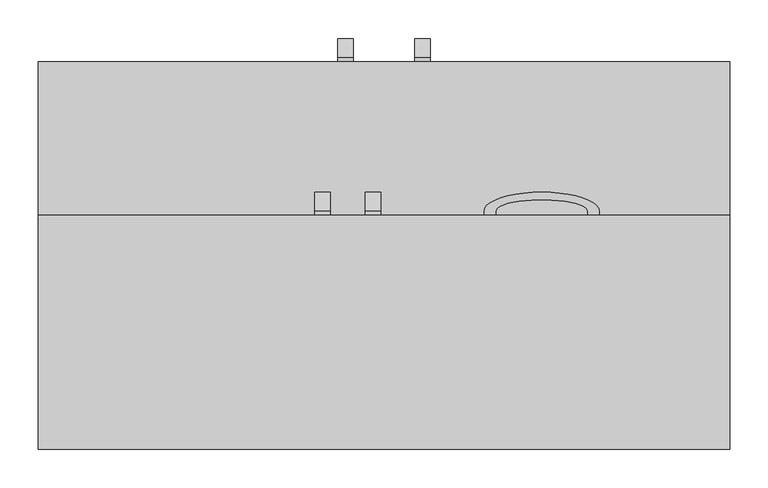
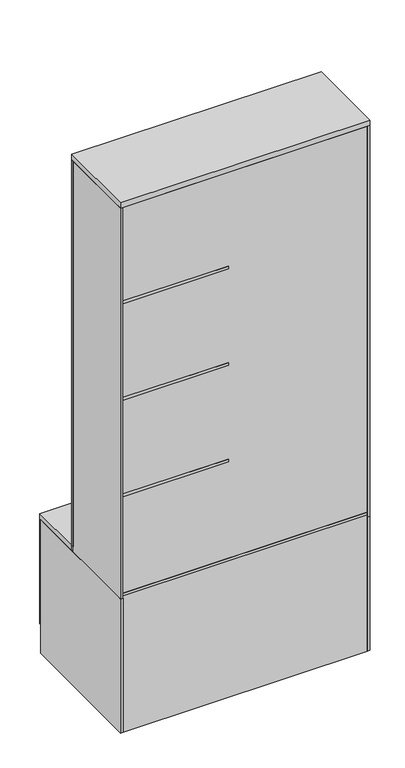
"""IFC4 building model written with IfcOpenShell, lengths in millimetres: furniture geometry."""

import ifcopenshell
import ifcopenshell.guid

model = None  # the IFC model being written
_history = None  # IfcOwnerHistory: only IFC2X3 demands one
_inside = {}  # id of a spatial element -> (the spatial element, [elements in it])
_under = {}  # id of a project, library or spatial element -> (it, [spatial elements below it])
_declared = {}  # id of a project -> (the project, [libraries it declares])
_typed = {}  # id of a type object -> (the type object, [elements of that type])
_made_of = {}  # id of a material, layer set ... -> (it, [elements and type objects made of it])


def new_model(schema):
    """Start an empty IFC model of exactly this schema.

    Asked for "IFC4X3", IfcOpenShell would pick the latest addendum, in which some entities
    have other attributes; the version numbers below select the first issue.
    IFC2X3 requires an IfcOwnerHistory on every rooted entity: one is made here for all.
    """
    global model, _history
    if schema == "IFC4X3":
        model = ifcopenshell.file(schema_version=(4, 3, 0, 0))
    else:
        model = ifcopenshell.file(schema=schema)
    _inside.clear()
    _under.clear()
    _declared.clear()
    _typed.clear()
    _made_of.clear()
    _history = None
    if model.schema == "IFC2X3":
        org = make("IfcOrganization", Name="unknown")
        user = make(
            "IfcPersonAndOrganization",
            ThePerson=make("IfcPerson", FamilyName="unknown"),
            TheOrganization=org,
        )
        app = make(
            "IfcApplication",
            ApplicationDeveloper=org,
            Version="unknown",
            ApplicationFullName="unknown",
            ApplicationIdentifier="unknown",
        )
        _history = make(
            "IfcOwnerHistory",
            OwningUser=user,
            OwningApplication=app,
            ChangeAction="ADDED",
            CreationDate=0,
        )
    return model


def make(cls, **values):
    """One entity of the class cls with the attributes given. An attribute that is None is left unset."""
    return model.create_entity(
        cls, **{name: value for name, value in values.items() if value is not None}
    )


def rooted(cls, **values):
    """An entity with a GlobalId (a new one), such as an element, a storey or a relation."""
    return make(cls, GlobalId=ifcopenshell.guid.new(), OwnerHistory=_history, **values)


def si_unit(unit_type, name, prefix=None):
    """IfcSIUnit, for example si_unit("LENGTHUNIT", "METRE", prefix="MILLI")."""
    return make("IfcSIUnit", UnitType=unit_type, Prefix=prefix, Name=name)


def assignment(units):
    """IfcUnitAssignment: the units of a project."""
    return None if units is None else make("IfcUnitAssignment", Units=units)


def point(xyz):
    """IfcCartesianPoint."""
    return None if xyz is None else make("IfcCartesianPoint", Coordinates=xyz)


def direction(xyz):
    """IfcDirection."""
    return None if xyz is None else make("IfcDirection", DirectionRatios=xyz)


def frame(location, z_axis=None, x_axis=None):
    """IfcAxis2Placement3D, a coordinate frame: its origin and axes. An axis left out is left unset."""
    return make(
        "IfcAxis2Placement3D",
        Location=point(location),
        Axis=direction(z_axis),
        RefDirection=direction(x_axis),
    )


def origin():
    """The frame at (0, 0, 0) with its axes left unset."""
    return frame((0.0, 0.0, 0.0))


def origin_with_axes():
    """The frame at (0, 0, 0) with the z axis (0, 0, 1) and the x axis (1, 0, 0) written out."""
    return frame((0.0, 0.0, 0.0), z_axis=(0.0, 0.0, 1.0), x_axis=(1.0, 0.0, 0.0))


def place(relative_to, where):
    """IfcLocalPlacement: puts the frame where relative to a parent placement (None: the world)."""
    return make(
        "IfcLocalPlacement", PlacementRelTo=relative_to, RelativePlacement=where
    )


def context(
    kind, dimensions, precision=None, world=None, true_north=None, identifier=None
):
    """IfcGeometricRepresentationContext, for example the 3D "Model" context."""
    return make(
        "IfcGeometricRepresentationContext",
        ContextIdentifier=identifier,
        ContextType=kind,
        CoordinateSpaceDimension=dimensions,
        Precision=precision,
        WorldCoordinateSystem=world,
        TrueNorth=true_north,
    )


def project(units=None, contexts=None):
    """IfcProject with its units and contexts."""
    return rooted(
        "IfcProject",
        Name="project",
        RepresentationContexts=contexts,
        UnitsInContext=assignment(units),
    )


def spatial(cls, under=None, at=None, **own):
    """A site, building, storey or space (cls), placed at a placement, below another one or the project."""
    s = rooted(cls, ObjectPlacement=at, **own)
    if under is not None:
        _under.setdefault(under.id(), (under, []))[1].append(s)
    return s


def polyline(points):
    """IfcPolyline through the points."""
    return make("IfcPolyline", Points=[point(p) for p in points])


def ellipse_curve(where, semi_axis1, semi_axis2):
    """IfcEllipse in the frame where."""
    return make(
        "IfcEllipse", Position=where, SemiAxis1=semi_axis1, SemiAxis2=semi_axis2
    )


def trimmed(basis, trim1, trim2, sense, master):
    """IfcTrimmedCurve: the piece of a basis curve between two trims."""
    return make(
        "IfcTrimmedCurve",
        BasisCurve=basis,
        Trim1=trim1,
        Trim2=trim2,
        SenseAgreement=sense,
        MasterRepresentation=master,
    )


def outline(outer, holes=None, kind="AREA"):
    """IfcArbitraryClosedProfileDef: a profile drawn as a closed curve; with holes, ...WithVoids."""
    if holes is None:
        return make("IfcArbitraryClosedProfileDef", ProfileType=kind, OuterCurve=outer)
    return make(
        "IfcArbitraryProfileDefWithVoids",
        ProfileType=kind,
        OuterCurve=outer,
        InnerCurves=holes,
    )


def extrude(swept, where, along, depth):
    """IfcExtrudedAreaSolid: the profile swept, set in the frame where, extruded along a direction by depth."""
    return make(
        "IfcExtrudedAreaSolid",
        SweptArea=swept,
        Position=where,
        ExtrudedDirection=direction(along),
        Depth=depth,
    )


def shape(context_of_items, identifier, shape_type, items):
    """IfcShapeRepresentation: the items that make up one representation, for example the "Body"."""
    return make(
        "IfcShapeRepresentation",
        ContextOfItems=context_of_items,
        RepresentationIdentifier=identifier,
        RepresentationType=shape_type,
        Items=items,
    )


def source(mapping_origin, context_of_items, identifier, shape_type, items):
    """IfcRepresentationMap: a shape defined once, which mapped items show again and again."""
    return make(
        "IfcRepresentationMap",
        MappingOrigin=mapping_origin,
        MappedRepresentation=shape(context_of_items, identifier, shape_type, items),
    )


def transform(
    local_origin,
    x_axis=None,
    y_axis=None,
    z_axis=None,
    scale=None,
    scale2=None,
    scale3=None,
    uniform=True,
):
    """IfcCartesianTransformationOperator3D, or its non-uniform kind. x_axis, y_axis, z_axis: its Axis1, 2, 3."""
    if uniform:
        return make(
            "IfcCartesianTransformationOperator3D",
            Axis1=direction(x_axis),
            Axis2=direction(y_axis),
            LocalOrigin=point(local_origin),
            Scale=scale,
            Axis3=direction(z_axis),
        )
    return make(
        "IfcCartesianTransformationOperator3DnonUniform",
        Axis1=direction(x_axis),
        Axis2=direction(y_axis),
        LocalOrigin=point(local_origin),
        Scale=scale,
        Axis3=direction(z_axis),
        Scale2=scale2,
        Scale3=scale3,
    )


def mapped(mapping_source, mapping_target):
    """IfcMappedItem: shows the shape of a source again, moved by a transform."""
    return make(
        "IfcMappedItem", MappingSource=mapping_source, MappingTarget=mapping_target
    )


def made_of(thing, what):
    """Note that an element or type object is made of a material, layer set ...; save() writes the relation."""
    if what is not None:
        _made_of.setdefault(what.id(), (what, []))[1].append(thing)
    return thing


def element(
    cls,
    number,
    at=None,
    inside=None,
    cuts=None,
    type_object=None,
    material=None,
    context=None,
    identifier="Body",
    shape_type=None,
    held_by="IfcProductDefinitionShape",
    body=None,
    shapes=None,
    **own,
):
    """One element of the class cls, such as IfcWall. Its Tag is "e" and its number.

    at: its placement. inside: the storey or other place that contains it. cuts: it is an
    opening in that element (IfcRelVoidsElement). A single representation is given by context,
    identifier, shape_type and body (its items); several are given by shapes. held_by: the class
    of the entity that holds the representations. save() writes the other relations.
    """
    e = rooted(cls, Tag="e%d" % number, ObjectPlacement=at, **own)
    if body is not None:
        shapes = [shape(context, identifier, shape_type, body)]
    if shapes is not None:
        e.Representation = make(held_by, Representations=shapes)
    if inside is not None:
        _inside.setdefault(inside.id(), (inside, []))[1].append(e)
    if cuts is not None:
        rooted(
            "IfcRelVoidsElement", RelatingBuildingElement=cuts, RelatedOpeningElement=e
        )
    if type_object is not None:
        _typed.setdefault(type_object.id(), (type_object, []))[1].append(e)
    return made_of(e, material)


def aggregate(whole, parts):
    """IfcRelAggregates: a whole, such as a stair, and the parts it consists of."""
    return rooted("IfcRelAggregates", RelatingObject=whole, RelatedObjects=parts)


def save(model, path):
    """Write the relations noted so far, then the file.

    IfcRelAggregates (storeys below a building ...), IfcRelContainedInSpatialStructure (elements
    in a storey), IfcRelDefinesByType, IfcRelAssociatesMaterial and IfcRelDeclares: one each for
    every whole, place, type object, material and project.
    """
    for whole, parts in _under.values():
        aggregate(whole, parts)
    for where, things in _inside.values():
        rooted(
            "IfcRelContainedInSpatialStructure",
            RelatedElements=things,
            RelatingStructure=where,
        )
    for kind, things in _typed.values():
        rooted("IfcRelDefinesByType", RelatedObjects=things, RelatingType=kind)
    for what, things in _made_of.values():
        rooted("IfcRelAssociatesMaterial", RelatedObjects=things, RelatingMaterial=what)
    for by, libraries in _declared.values():
        rooted("IfcRelDeclares", RelatingContext=by, RelatedDefinitions=libraries)
    model.write(path)


def plane_surface(at):
    """IfcPlane: the flat surface through the origin of the frame at, square to its z axis."""
    return make("IfcPlane", Position=at)


def extruded_surface(curve, direction_of_extrusion, depth):
    """IfcSurfaceOfLinearExtrusion: the curve pushed along a direction by depth."""
    return make(
        "IfcSurfaceOfLinearExtrusion",
        SweptCurve=make("IfcArbitraryOpenProfileDef", ProfileType="CURVE", Curve=curve),
        ExtrudedDirection=direction(direction_of_extrusion),
        Depth=depth,
    )


def advanced_brep(points, edges, surfaces, faces):
    """IfcAdvancedBrep: a solid bounded by faces that lie on surfaces and meet in shared edges.

    An edge is (start, end): straight between two places in points (the first is 0);
    or (start, end, curve); or (start, end, curve, False) where it runs against its curve.
    A face is (place in surfaces, loops), or (place, loops, False) where it looks against
    its surface's normal. A loop lists edges by number (the first is 1), with a minus sign
    where the edge is run from its end to its start. The first loop is the outer one.
    """
    corners = [point(p) for p in points]
    vertices = [make("IfcVertexPoint", VertexGeometry=c) for c in corners]
    made = []
    for start, end, *more in edges:
        made.append(
            make(
                "IfcEdgeCurve",
                EdgeStart=vertices[start],
                EdgeEnd=vertices[end],
                EdgeGeometry=more[0] if more else make("IfcPolyline", Points=[corners[start], corners[end]]),
                SameSense=more[1] if len(more) > 1 else True,
            )
        )
    hull = []
    for where, loops, *sense in faces:
        bounds = []
        for j, loop in enumerate(loops):
            ring = [make("IfcOrientedEdge", EdgeElement=made[abs(k) - 1], Orientation=k > 0) for k in loop]
            bounds.append(
                make(
                    "IfcFaceOuterBound" if j == 0 else "IfcFaceBound",
                    Bound=make("IfcEdgeLoop", EdgeList=ring),
                    Orientation=True,
                )
            )
        hull.append(make("IfcAdvancedFace", Bounds=bounds, FaceSurface=surfaces[where], SameSense=sense[0] if sense else True))
    return make("IfcAdvancedBrep", Outer=make("IfcClosedShell", CfsFaces=hull))


def furniture_a15a8655(model_context):
    return source(origin(), model_context, "Body", "SolidModel", [
        advanced_brep(
        [(-24.438675, 55.0, 1722.5), (-24.438675, 60.0, 1722.5), (-24.438675, 60.0, 1842.5), (-24.438675, 55.0, 1842.5), (-24.438675, 55.0, 1857.5), (-24.438675, 60.0, 1857.5), (-24.438675, 60.0, 1707.5), (-24.438675, 55.0, 1707.5), (-4.438675, 55.0, 1722.5), (-4.438675, 55.0, 1707.5), (-4.438675, 60.0, 1707.5), (-4.438675, 60.0, 1857.5), (-4.438675, 55.0, 1857.5), (-4.438675, 55.0, 1842.5), (-4.438675, 60.0, 1842.5), (-4.438675, 60.0, 1722.5)],
        [
            (0, 1),
            (1, 2, ellipse_curve(frame((-24.438675, 60.0, 1782.5), z_axis=(1.0, 0.0, 0.0), x_axis=(0.0, 0.0, -1.0)), 60.0, 15.0)),
            (2, 3),
            (3, 4),
            (4, 5),
            (5, 6, ellipse_curve(frame((-24.438675, 60.0, 1782.5), z_axis=(-1.0, 0.0, 0.0), x_axis=(0.0, 0.0, -1.0)), 75.0, 25.0)),
            (6, 7),
            (7, 0),
            (8, 9),
            (9, 10),
            (10, 11, ellipse_curve(frame((-4.438675, 60.0, 1782.5), z_axis=(1.0, 0.0, 0.0), x_axis=(0.0, 0.0, -1.0)), 75.0, 25.0)),
            (11, 12),
            (12, 13),
            (13, 14),
            (14, 15, ellipse_curve(frame((-4.438675, 60.0, 1782.5), z_axis=(-1.0, 0.0, 0.0), x_axis=(0.0, 0.0, -1.0)), 60.0, 15.0)),
            (15, 8),
            (0, 8),
            (15, 1),
            (14, 2),
            (13, 3),
            (12, 4),
            (11, 5),
            (10, 6),
            (9, 7),
        ],
        [
            plane_surface(frame((-24.438675, 67.1119554, 1722.5), z_axis=(-1.0, 0.0, 0.0), x_axis=(0.0, 1.0, 0.0))),
            plane_surface(frame((-4.438675, 67.1119554, 1722.5), z_axis=(1.0, 0.0, 0.0), x_axis=(0.0, -1.0, 0.0))),
            plane_surface(frame((-24.438675, 55.0, 1722.5), z_axis=(0.0, 0.0, 1.0), x_axis=(1.0, 0.0, 0.0))),
            extruded_surface(trimmed(ellipse_curve(frame((15.561325, 60.0, 1782.5), z_axis=(1.0, 0.0, 0.0), x_axis=(0.0, 0.0, -1.0)), 60.0, 15.0), [point((15.561325, 60.0, 1722.5))], [point((15.561325, 60.0, 1842.5))], True, "CARTESIAN"), (-20.0, 0.0, 0.0), 20.0),
            plane_surface(frame((-24.438675, 60.0, 1842.5), z_axis=(0.0, 0.0, -1.0), x_axis=(1.0, 0.0, 0.0))),
            plane_surface(frame((-24.438675, 55.0, 1842.5), z_axis=(0.0, -1.0, 0.0), x_axis=(1.0, 0.0, 0.0))),
            plane_surface(frame((-24.438675, 55.0, 1857.5), z_axis=(0.0, 0.0, 1.0), x_axis=(1.0, 0.0, 0.0))),
            extruded_surface(trimmed(ellipse_curve(frame((15.561325, 60.0, 1782.5), z_axis=(-1.0, 0.0, 0.0), x_axis=(0.0, 0.0, -1.0)), 75.0, 25.0), [point((15.561325, 60.0, 1857.5))], [point((15.561325, 60.0, 1707.5))], True, "CARTESIAN"), (-20.0, 0.0, 0.0), 20.0),
            plane_surface(frame((-24.438675, 60.0, 1707.5), z_axis=(0.0, 0.0, -1.0), x_axis=(1.0, 0.0, 0.0))),
            plane_surface(frame((-24.438675, 55.0, 1707.5), z_axis=(0.0, -1.0, 0.0), x_axis=(1.0, 0.0, 0.0))),
        ],
        [
            (0, [[1, 2, 3, 4, 5, 6, 7, 8]]),
            (1, [[9, 10, 11, 12, 13, 14, 15, 16]]),
            (2, [[-1, 17, -16, 18]]),
            (3, [[-2, -18, -15, 19]]),
            (4, [[-3, -19, -14, 20]]),
            (5, [[-4, -20, -13, 21]]),
            (6, [[-5, -21, -12, 22]]),
            (7, [[-6, -22, -11, 23]]),
            (8, [[-7, -23, -10, 24]]),
            (9, [[-8, -24, -9, -17]]),
        ],
    ),
        advanced_brep(
        [(145.3169549, 55.0, 1159.7949017), (130.3169549, 55.0, 1159.7949017), (130.3169549, 60.0, 1159.7949017), (280.3169549, 60.0, 1159.7949017), (280.3169549, 55.0, 1159.7949017), (265.3169549, 55.0, 1159.7949017), (265.3169549, 60.0, 1159.7949017), (145.3169549, 60.0, 1159.7949017), (145.3169549, 55.0, 1179.7949017), (145.3169549, 60.0, 1179.7949017), (265.3169549, 60.0, 1179.7949017), (265.3169549, 55.0, 1179.7949017), (280.3169549, 55.0, 1179.7949017), (280.3169549, 60.0, 1179.7949017), (130.3169549, 60.0, 1179.7949017), (130.3169549, 55.0, 1179.7949017)],
        [
            (0, 1),
            (1, 2),
            (2, 3, ellipse_curve(frame((205.3169549, 60.0, 1159.7949017), z_axis=(0.0, 0.0, -1.0), x_axis=(-1.0, 0.0, 0.0)), 75.0, 25.0)),
            (3, 4),
            (4, 5),
            (5, 6),
            (6, 7, ellipse_curve(frame((205.3169549, 60.0, 1159.7949017), z_axis=(0.0, 0.0, 1.0), x_axis=(-1.0, 0.0, 0.0)), 60.0, 15.0)),
            (7, 0),
            (8, 9),
            (9, 10, ellipse_curve(frame((205.3169549, 60.0, 1179.7949017), z_axis=(0.0, 0.0, -1.0), x_axis=(-1.0, 0.0, 0.0)), 60.0, 15.0)),
            (10, 11),
            (11, 12),
            (12, 13),
            (13, 14, ellipse_curve(frame((205.3169549, 60.0, 1179.7949017), z_axis=(0.0, 0.0, 1.0), x_axis=(-1.0, 0.0, 0.0)), 75.0, 25.0)),
            (14, 15),
            (15, 8),
            (7, 9),
            (8, 0),
            (6, 10),
            (5, 11),
            (4, 12),
            (3, 13),
            (2, 14),
            (1, 15),
        ],
        [
            plane_surface(frame((145.3169549, 67.1119554, 1159.7949017), z_axis=(0.0, 0.0, -1.0), x_axis=(0.0, 1.0, 0.0))),
            plane_surface(frame((145.3169549, 67.1119554, 1179.7949017), z_axis=(0.0, 0.0, 1.0), x_axis=(0.0, -1.0, 0.0))),
            plane_surface(frame((145.3169549, 55.0, 1159.7949017), z_axis=(1.0, 0.0, 0.0), x_axis=(0.0, 0.0, 1.0))),
            extruded_surface(trimmed(ellipse_curve(frame((205.3169549, 60.0, 1179.7949017), z_axis=(0.0, 0.0, -1.0), x_axis=(-1.0, 0.0, 0.0)), 60.0, 15.0), [point((145.3169549, 60.0, 1179.7949017))], [point((265.3169549, 60.0, 1179.7949017))], True, "CARTESIAN"), (0.0, 0.0, 20.0), 20.0),
            plane_surface(frame((265.3169549, 60.0, 1159.7949017), z_axis=(-1.0, 0.0, 0.0), x_axis=(0.0, 0.0, 1.0))),
            plane_surface(frame((265.3169549, 55.0, 1159.7949017), z_axis=(0.0, -1.0, 0.0), x_axis=(0.0, 0.0, 1.0))),
            plane_surface(frame((280.3169549, 55.0, 1159.7949017), z_axis=(1.0, 0.0, 0.0), x_axis=(0.0, 0.0, 1.0))),
            extruded_surface(trimmed(ellipse_curve(frame((205.3169549, 60.0, 1179.7949017), z_axis=(0.0, 0.0, 1.0), x_axis=(-1.0, 0.0, 0.0)), 75.0, 25.0), [point((280.3169549, 60.0, 1179.7949017))], [point((130.3169549, 60.0, 1179.7949017))], True, "CARTESIAN"), (0.0, 0.0, 20.0), 20.0),
            plane_surface(frame((130.3169549, 60.0, 1159.7949017), z_axis=(-1.0, 0.0, 0.0), x_axis=(0.0, 0.0, 1.0))),
            plane_surface(frame((130.3169549, 55.0, 1159.7949017), z_axis=(0.0, -1.0, 0.0), x_axis=(0.0, 0.0, 1.0))),
        ],
        [
            (0, [[1, 2, 3, 4, 5, 6, 7, 8]]),
            (1, [[9, 10, 11, 12, 13, 14, 15, 16]]),
            (2, [[17, -9, 18, -8]]),
            (3, [[19, -10, -17, -7]]),
            (4, [[20, -11, -19, -6]]),
            (5, [[21, -12, -20, -5]]),
            (6, [[22, -13, -21, -4]]),
            (7, [[23, -14, -22, -3]]),
            (8, [[24, -15, -23, -2]]),
            (9, [[-18, -16, -24, -1]]),
        ],
    ),
        advanced_brep(
        [(60.0, 255.0, 239.9102833), (60.0, 255.0, 224.9102833), (60.0, 260.0, 224.9102833), (60.0, 260.0, 374.9102833), (60.0, 255.0, 374.9102833), (60.0, 255.0, 359.9102833), (60.0, 260.0, 359.9102833), (60.0, 260.0, 239.9102833), (40.0, 255.0, 239.9102833), (40.0, 260.0, 239.9102833), (40.0, 260.0, 359.9102833), (40.0, 255.0, 359.9102833), (40.0, 255.0, 374.9102833), (40.0, 260.0, 374.9102833), (40.0, 260.0, 224.9102833), (40.0, 255.0, 224.9102833)],
        [
            (0, 1),
            (1, 2),
            (2, 3, ellipse_curve(frame((60.0, 260.0, 299.9102833), z_axis=(1.0, 0.0, 0.0), x_axis=(0.0, 0.0, -1.0)), 75.0, 25.0)),
            (3, 4),
            (4, 5),
            (5, 6),
            (6, 7, ellipse_curve(frame((60.0, 260.0, 299.9102833), z_axis=(-1.0, 0.0, 0.0), x_axis=(0.0, 0.0, -1.0)), 60.0, 15.0)),
            (7, 0),
            (8, 9),
            (9, 10, ellipse_curve(frame((40.0, 260.0, 299.9102833), z_axis=(1.0, 0.0, 0.0), x_axis=(0.0, 0.0, -1.0)), 60.0, 15.0)),
            (10, 11),
            (11, 12),
            (12, 13),
            (13, 14, ellipse_curve(frame((40.0, 260.0, 299.9102833), z_axis=(-1.0, 0.0, 0.0), x_axis=(0.0, 0.0, -1.0)), 75.0, 25.0)),
            (14, 15),
            (15, 8),
            (7, 9),
            (8, 0),
            (6, 10),
            (5, 11),
            (4, 12),
            (3, 13),
            (2, 14),
            (1, 15),
        ],
        [
            plane_surface(frame((60.0, 267.1119554, 239.9102833), z_axis=(1.0, 0.0, 0.0), x_axis=(0.0, 1.0, 0.0))),
            plane_surface(frame((40.0, 267.1119554, 239.9102833), z_axis=(-1.0, 0.0, 0.0), x_axis=(0.0, -1.0, 0.0))),
            plane_surface(frame((60.0, 255.0, 239.9102833), z_axis=(0.0, 0.0, 1.0), x_axis=(-1.0, 0.0, 0.0))),
            extruded_surface(trimmed(ellipse_curve(frame((40.0, 260.0, 299.9102833), z_axis=(1.0, 0.0, 0.0), x_axis=(0.0, 0.0, -1.0)), 60.0, 15.0), [point((40.0, 260.0, 239.9102833))], [point((40.0, 260.0, 359.9102833))], True, "CARTESIAN"), (-20.0, 0.0, 0.0), 20.0),
            plane_surface(frame((60.0, 260.0, 359.9102833), z_axis=(0.0, 0.0, -1.0), x_axis=(-1.0, 0.0, 0.0))),
            plane_surface(frame((60.0, 255.0, 359.9102833), z_axis=(0.0, -1.0, 0.0), x_axis=(-1.0, 0.0, 0.0))),
            plane_surface(frame((60.0, 255.0, 374.9102833), z_axis=(0.0, 0.0, 1.0), x_axis=(-1.0, 0.0, 0.0))),
            extruded_surface(trimmed(ellipse_curve(frame((40.0, 260.0, 299.9102833), z_axis=(-1.0, 0.0, 0.0), x_axis=(0.0, 0.0, -1.0)), 75.0, 25.0), [point((40.0, 260.0, 374.9102833))], [point((40.0, 260.0, 224.9102833))], True, "CARTESIAN"), (-20.0, 0.0, 0.0), 20.0),
            plane_surface(frame((60.0, 260.0, 224.9102833), z_axis=(0.0, 0.0, -1.0), x_axis=(-1.0, 0.0, 0.0))),
            plane_surface(frame((60.0, 255.0, 224.9102833), z_axis=(0.0, -1.0, 0.0), x_axis=(-1.0, 0.0, 0.0))),
        ],
        [
            (0, [[1, 2, 3, 4, 5, 6, 7, 8]]),
            (1, [[9, 10, 11, 12, 13, 14, 15, 16]]),
            (2, [[17, -9, 18, -8]]),
            (3, [[19, -10, -17, -7]]),
            (4, [[20, -11, -19, -6]]),
            (5, [[21, -12, -20, -5]]),
            (6, [[22, -13, -21, -4]]),
            (7, [[23, -14, -22, -3]]),
            (8, [[24, -15, -23, -2]]),
            (9, [[-18, -16, -24, -1]]),
        ],
    ),
        advanced_brep(
        [(-70.0, 55.0, 1202.5), (-70.0, 55.0, 1187.5), (-70.0, 60.0, 1187.5), (-70.0, 60.0, 1337.5), (-70.0, 55.0, 1337.5), (-70.0, 55.0, 1322.5), (-70.0, 60.0, 1322.5), (-70.0, 60.0, 1202.5), (-90.0, 55.0, 1202.5), (-90.0, 60.0, 1202.5), (-90.0, 60.0, 1322.5), (-90.0, 55.0, 1322.5), (-90.0, 55.0, 1337.5), (-90.0, 60.0, 1337.5), (-90.0, 60.0, 1187.5), (-90.0, 55.0, 1187.5)],
        [
            (0, 1),
            (1, 2),
            (2, 3, ellipse_curve(frame((-70.0, 60.0, 1262.5), z_axis=(1.0, 0.0, 0.0), x_axis=(0.0, 0.0, -1.0)), 75.0, 25.0)),
            (3, 4),
            (4, 5),
            (5, 6),
            (6, 7, ellipse_curve(frame((-70.0, 60.0, 1262.5), z_axis=(-1.0, 0.0, 0.0), x_axis=(0.0, 0.0, -1.0)), 60.0, 15.0)),
            (7, 0),
            (8, 9),
            (9, 10, ellipse_curve(frame((-90.0, 60.0, 1262.5), z_axis=(1.0, 0.0, 0.0), x_axis=(0.0, 0.0, -1.0)), 60.0, 15.0)),
            (10, 11),
            (11, 12),
            (12, 13),
            (13, 14, ellipse_curve(frame((-90.0, 60.0, 1262.5), z_axis=(-1.0, 0.0, 0.0), x_axis=(0.0, 0.0, -1.0)), 75.0, 25.0)),
            (14, 15),
            (15, 8),
            (7, 9),
            (8, 0),
            (6, 10),
            (5, 11),
            (4, 12),
            (3, 13),
            (2, 14),
            (1, 15),
        ],
        [
            plane_surface(frame((-70.0, 67.1119554, 1202.5), z_axis=(1.0, 0.0, 0.0), x_axis=(0.0, 1.0, 0.0))),
            plane_surface(frame((-90.0, 67.1119554, 1202.5), z_axis=(-1.0, 0.0, 0.0), x_axis=(0.0, -1.0, 0.0))),
            plane_surface(frame((-70.0, 55.0, 1202.5), z_axis=(0.0, 0.0, 1.0), x_axis=(-1.0, 0.0, 0.0))),
            extruded_surface(trimmed(ellipse_curve(frame((-90.0, 60.0, 1262.5), z_axis=(1.0, 0.0, 0.0), x_axis=(0.0, 0.0, -1.0)), 60.0, 15.0), [point((-90.0, 60.0, 1202.5))], [point((-90.0, 60.0, 1322.5))], True, "CARTESIAN"), (-20.0, 0.0, 0.0), 20.0),
            plane_surface(frame((-70.0, 60.0, 1322.5), z_axis=(0.0, 0.0, -1.0), x_axis=(-1.0, 0.0, 0.0))),
            plane_surface(frame((-70.0, 55.0, 1322.5), z_axis=(0.0, -1.0, 0.0), x_axis=(-1.0, 0.0, 0.0))),
            plane_surface(frame((-70.0, 55.0, 1337.5), z_axis=(0.0, 0.0, 1.0), x_axis=(-1.0, 0.0, 0.0))),
            extruded_surface(trimmed(ellipse_curve(frame((-90.0, 60.0, 1262.5), z_axis=(-1.0, 0.0, 0.0), x_axis=(0.0, 0.0, -1.0)), 75.0, 25.0), [point((-90.0, 60.0, 1337.5))], [point((-90.0, 60.0, 1187.5))], True, "CARTESIAN"), (-20.0, 0.0, 0.0), 20.0),
            plane_surface(frame((-70.0, 60.0, 1187.5), z_axis=(0.0, 0.0, -1.0), x_axis=(-1.0, 0.0, 0.0))),
            plane_surface(frame((-70.0, 55.0, 1187.5), z_axis=(0.0, -1.0, 0.0), x_axis=(-1.0, 0.0, 0.0))),
        ],
        [
            (0, [[1, 2, 3, 4, 5, 6, 7, 8]]),
            (1, [[9, 10, 11, 12, 13, 14, 15, 16]]),
            (2, [[17, -9, 18, -8]]),
            (3, [[19, -10, -17, -7]]),
            (4, [[20, -11, -19, -6]]),
            (5, [[21, -12, -20, -5]]),
            (6, [[22, -13, -21, -4]]),
            (7, [[23, -14, -22, -3]]),
            (8, [[24, -15, -23, -2]]),
            (9, [[-18, -16, -24, -1]]),
        ],
    ),
        advanced_brep(
        [(-60.0, 255.0, 239.9102833), (-60.0, 260.0, 239.9102833), (-60.0, 260.0, 359.9102833), (-60.0, 255.0, 359.9102833), (-60.0, 255.0, 374.9102833), (-60.0, 260.0, 374.9102833), (-60.0, 260.0, 224.9102833), (-60.0, 255.0, 224.9102833), (-40.0, 255.0, 239.9102833), (-40.0, 255.0, 224.9102833), (-40.0, 260.0, 224.9102833), (-40.0, 260.0, 374.9102833), (-40.0, 255.0, 374.9102833), (-40.0, 255.0, 359.9102833), (-40.0, 260.0, 359.9102833), (-40.0, 260.0, 239.9102833)],
        [
            (0, 1),
            (1, 2, ellipse_curve(frame((-60.0, 260.0, 299.9102833), z_axis=(1.0, 0.0, 0.0), x_axis=(0.0, 0.0, -1.0)), 60.0, 15.0)),
            (2, 3),
            (3, 4),
            (4, 5),
            (5, 6, ellipse_curve(frame((-60.0, 260.0, 299.9102833), z_axis=(-1.0, 0.0, 0.0), x_axis=(0.0, 0.0, -1.0)), 75.0, 25.0)),
            (6, 7),
            (7, 0),
            (8, 9),
            (9, 10),
            (10, 11, ellipse_curve(frame((-40.0, 260.0, 299.9102833), z_axis=(1.0, 0.0, 0.0), x_axis=(0.0, 0.0, -1.0)), 75.0, 25.0)),
            (11, 12),
            (12, 13),
            (13, 14),
            (14, 15, ellipse_curve(frame((-40.0, 260.0, 299.9102833), z_axis=(-1.0, 0.0, 0.0), x_axis=(0.0, 0.0, -1.0)), 60.0, 15.0)),
            (15, 8),
            (0, 8),
            (15, 1),
            (14, 2),
            (13, 3),
            (12, 4),
            (11, 5),
            (10, 6),
            (9, 7),
        ],
        [
            plane_surface(frame((-60.0, 267.1119554, 239.9102833), z_axis=(-1.0, 0.0, 0.0), x_axis=(0.0, 1.0, 0.0))),
            plane_surface(frame((-40.0, 267.1119554, 239.9102833), z_axis=(1.0, 0.0, 0.0), x_axis=(0.0, -1.0, 0.0))),
            plane_surface(frame((-60.0, 255.0, 239.9102833), z_axis=(0.0, 0.0, 1.0), x_axis=(1.0, 0.0, 0.0))),
            extruded_surface(trimmed(ellipse_curve(frame((-20.0, 260.0, 299.9102833), z_axis=(1.0, 0.0, 0.0), x_axis=(0.0, 0.0, -1.0)), 60.0, 15.0), [point((-20.0, 260.0, 239.9102833))], [point((-20.0, 260.0, 359.9102833))], True, "CARTESIAN"), (-20.0, 0.0, 0.0), 20.0),
            plane_surface(frame((-60.0, 260.0, 359.9102833), z_axis=(0.0, 0.0, -1.0), x_axis=(1.0, 0.0, 0.0))),
            plane_surface(frame((-60.0, 255.0, 359.9102833), z_axis=(0.0, -1.0, 0.0), x_axis=(1.0, 0.0, 0.0))),
            plane_surface(frame((-60.0, 255.0, 374.9102833), z_axis=(0.0, 0.0, 1.0), x_axis=(1.0, 0.0, 0.0))),
            extruded_surface(trimmed(ellipse_curve(frame((-20.0, 260.0, 299.9102833), z_axis=(-1.0, 0.0, 0.0), x_axis=(0.0, 0.0, -1.0)), 75.0, 25.0), [point((-20.0, 260.0, 374.9102833))], [point((-20.0, 260.0, 224.9102833))], True, "CARTESIAN"), (-20.0, 0.0, 0.0), 20.0),
            plane_surface(frame((-60.0, 260.0, 224.9102833), z_axis=(0.0, 0.0, -1.0), x_axis=(1.0, 0.0, 0.0))),
            plane_surface(frame((-60.0, 255.0, 224.9102833), z_axis=(0.0, -1.0, 0.0), x_axis=(1.0, 0.0, 0.0))),
        ],
        [
            (0, [[1, 2, 3, 4, 5, 6, 7, 8]]),
            (1, [[9, 10, 11, 12, 13, 14, 15, 16]]),
            (2, [[-1, 17, -16, 18]]),
            (3, [[-2, -18, -15, 19]]),
            (4, [[-3, -19, -14, 20]]),
            (5, [[-4, -20, -13, 21]]),
            (6, [[-5, -21, -12, 22]]),
            (7, [[-6, -22, -11, 23]]),
            (8, [[-7, -23, -10, 24]]),
            (9, [[-8, -24, -9, -17]]),
        ],
    ),
        extrude(outline(polyline([(-50.0, -240.0), (-50.0, 45.0), (440.0, 45.0), (440.0, -240.0), (-50.0, -240.0)])), frame((0.0, 0.0, 1499.2013862), z_axis=(0.0, 0.0, 1.0), x_axis=(1.0, 0.0, 0.0)), (0.0, 0.0, 1.0), 10.0),
        extrude(outline(polyline([(-50.0, -240.0), (-50.0, 45.0), (440.0, 45.0), (440.0, -240.0), (-50.0, -240.0)])), frame((0.0, 0.0, 820.0), z_axis=(0.0, 0.0, 1.0), x_axis=(1.0, 0.0, 0.0)), (0.0, 0.0, 1.0), 10.0),
        extrude(outline(polyline([(-50.0, -240.0), (-50.0, 45.0), (440.0, 45.0), (440.0, -240.0), (-50.0, -240.0)])), frame((0.0, 0.0, 1210.0), z_axis=(0.0, 0.0, 1.0), x_axis=(1.0, 0.0, 0.0)), (0.0, 0.0, 1.0), 10.0),
        extrude(outline(polyline([(450.0, 55.0), (450.0, 45.0), (-47.2193375, 45.0), (-47.2193375, 55.0), (450.0, 55.0)])), frame((0.0, 0.0, 1499.0), z_axis=(0.0, 0.0, 1.0), x_axis=(1.0, 0.0, 0.0)), (0.0, 0.0, 1.0), 500.0),
        extrude(outline(polyline([(450.0, 55.0), (450.0, 45.0), (-48.2077861, 45.0), (-48.2077861, 55.0), (450.0, 55.0)])), frame((0.0, 0.0, 820.0), z_axis=(0.0, 0.0, 1.0), x_axis=(1.0, 0.0, 0.0)), (0.0, 0.0, 1.0), 400.0),
        extrude(outline(polyline([(-50.0, 45.0), (-50.0, -240.0), (-60.0, -240.0), (-60.0, 45.0), (-50.0, 45.0)])), frame((0.0, 0.0, 530.0), z_axis=(0.0, 0.0, 1.0), x_axis=(1.0, 0.0, 0.0)), (0.0, 0.0, 1.0), 1470.0),
        extrude(outline(polyline([(1999.0, -450.0), (530.0, -450.0), (530.0, -50.0), (1999.0, -50.0), (1999.0, -450.0)]), holes=[polyline([(1880.0, -222.9568945), (1880.0, -111.0490554), (1265.0, -111.0490554), (665.0, -111.0490554), (665.0, -222.9568945), (665.0, -390.0), (1265.0, -390.0), (1880.0, -390.0), (1880.0, -222.9568945)])]), frame((0.0, 45.0, 0.0), z_axis=(0.0, 1.0, 0.0), x_axis=(0.0, 0.0, 1.0)), (0.0, 0.0, 1.0), 10.0),
        extrude(outline(polyline([(-111.0490554, 52.0), (-111.0490554, 49.0), (-390.0, 49.0), (-390.0, 52.0), (-111.0490554, 52.0)])), frame((0.0, 0.0, 665.0), z_axis=(0.0, 0.0, 1.0), x_axis=(1.0, 0.0, 0.0)), (0.0, 0.0, 1.0), 1215.0),
        extrude(outline(polyline([(-60.0, 45.0), (-60.0, -250.0), (-440.0, -250.0), (-440.0, 45.0), (-60.0, 45.0)])), frame((0.0, 0.0, 1632.5), z_axis=(0.0, 0.0, 1.0), x_axis=(1.0, 0.0, 0.0)), (0.0, 0.0, 1.0), 10.0),
        extrude(outline(polyline([(-60.0, 45.0), (-60.0, -250.0), (-440.0, -250.0), (-440.0, 45.0), (-60.0, 45.0)])), frame((0.0, 0.0, 1265.0), z_axis=(0.0, 0.0, 1.0), x_axis=(1.0, 0.0, 0.0)), (0.0, 0.0, 1.0), 10.0),
        extrude(outline(polyline([(-60.0, 45.0), (-60.0, -250.0), (-440.0, -250.0), (-440.0, 45.0), (-60.0, 45.0)])), frame((0.0, 0.0, 897.5), z_axis=(0.0, 0.0, 1.0), x_axis=(1.0, 0.0, 0.0)), (0.0, 0.0, 1.0), 10.0),
        extrude(outline(polyline([(440.0, 55.0), (440.0, -250.0), (-440.0, -250.0), (-440.0, 55.0), (440.0, 55.0)])), frame((0.0, 0.0, 520.0), z_axis=(0.0, 0.0, 1.0), x_axis=(1.0, 0.0, 0.0)), (0.0, 0.0, 1.0), 10.0),
        extrude(outline(polyline([(450.0, 250.0), (450.0, -250.0), (440.0, -250.0), (440.0, 250.0), (450.0, 250.0)])), origin_with_axes(), (0.0, 0.0, 1.0), 510.0),
        extrude(outline(polyline([(450.0, 45.0), (450.0, -250.0), (440.0, -250.0), (440.0, 45.0), (450.0, 45.0)])), frame((0.0, 0.0, 510.0), z_axis=(0.0, 0.0, 1.0), x_axis=(1.0, 0.0, 0.0)), (0.0, 0.0, 1.0), 1490.0),
        extrude(outline(polyline([(-440.0, 250.0), (-440.0, -250.0), (-450.0, -250.0), (-450.0, 250.0), (-440.0, 250.0)])), origin_with_axes(), (0.0, 0.0, 1.0), 510.0),
        extrude(outline(polyline([(450.0, 255.0), (450.0, 55.0), (-450.0, 55.0), (-450.0, 255.0), (450.0, 255.0)])), frame((0.0, 0.0, 510.0), z_axis=(0.0, 0.0, 1.0), x_axis=(1.0, 0.0, 0.0)), (0.0, 0.0, 1.0), 20.0),
        extrude(outline(polyline([(0.0, 250.0), (-450.0, 250.0), (-450.0, 255.0), (0.0, 255.0), (0.0, 250.0)])), frame((0.0, 0.0, 110.0), z_axis=(0.0, 0.0, 1.0), x_axis=(1.0, 0.0, 0.0)), (0.0, 0.0, 1.0), 398.0),
        extrude(outline(polyline([(450.0, 55.0), (450.0, -250.0), (-450.0, -250.0), (-450.0, 55.0), (450.0, 55.0)])), frame((0.0, 0.0, 2000.0), z_axis=(0.0, 0.0, 1.0), x_axis=(1.0, 0.0, 0.0)), (0.0, 0.0, 1.0), 20.0),
        extrude(outline(polyline([(440.0, -250.0), (-440.0, -250.0), (-440.0, -240.0), (440.0, -240.0), (440.0, -250.0)])), origin_with_axes(), (0.0, 0.0, 1.0), 2000.0),
        extrude(outline(polyline([(450.0, 250.0), (1.9343323, 250.0), (1.9343323, 255.0), (450.0, 255.0), (450.0, 250.0)])), frame((0.0, 0.0, 110.0), z_axis=(0.0, 0.0, 1.0), x_axis=(1.0, 0.0, 0.0)), (0.0, 0.0, 1.0), 398.0),
        extrude(outline(polyline([(440.0, 250.0), (440.0, 240.0), (-440.0, 240.0), (-440.0, 250.0), (440.0, 250.0)])), origin_with_axes(), (0.0, 0.0, 1.0), 110.0),
        extrude(outline(polyline([(-440.0, 45.0), (-440.0, -250.0), (-450.0, -250.0), (-450.0, 45.0), (-440.0, 45.0)])), frame((0.0, 0.0, 510.0), z_axis=(0.0, 0.0, 1.0), x_axis=(1.0, 0.0, 0.0)), (0.0, 0.0, 1.0), 1490.0),
    ])


if __name__ == "__main__":
    model = new_model("IFC4")
    model_context = context("Model", 3, world=origin())
    ifc_project = project(units=[si_unit("LENGTHUNIT", "METRE", prefix="MILLI")], contexts=[model_context])
    site = spatial("IfcSite", under=ifc_project)
    building = spatial("IfcBuilding", under=site)
    placement = place(None, origin())
    furniture_shape = furniture_a15a8655(model_context)
    element("IfcFurniture", 1, at=placement, inside=building, context=model_context, shape_type="MappedRepresentation", body=[
        mapped(furniture_shape, transform((0.0, 0.0, 0.0), x_axis=(1.0, 0.0, 0.0), y_axis=(0.0, 1.0, 0.0), z_axis=(0.0, 0.0, 1.0))),
    ])
    save(model, "model.ifc")
